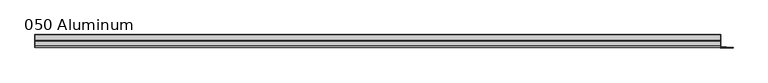
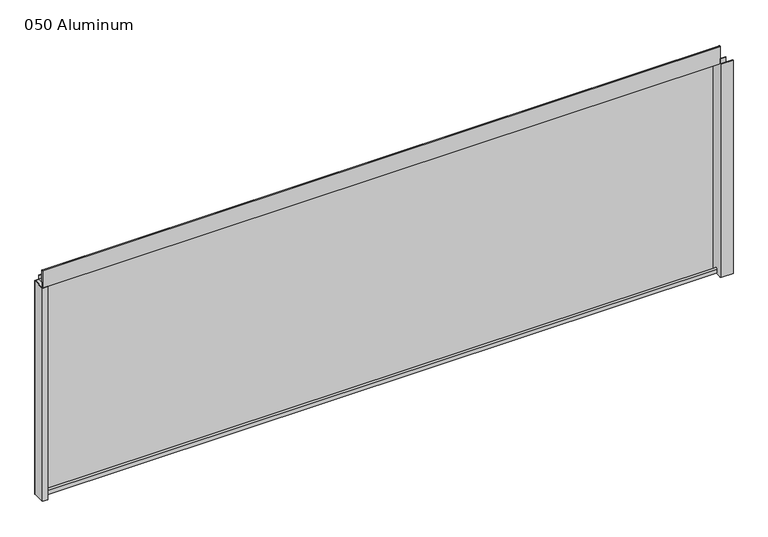
"""IFC4 building model written with IfcOpenShell, lengths in millimetres: plate geometry, 050 Aluminum."""

from ifc_helpers import new_model, si_unit, point, frame, frame_2d, origin, origin_with_axes, place, context, project, spatial, polyline, circle_curve, trimmed, segment, composite_curve, outline, extrude, source, transform, mapped, element, save


def plate_050_aluminum_96d8cad5(model_context):
    return source(origin(), model_context, "Body", "SweptSolid", [
        extrude(outline(polyline([(-919.4800001, 2.5660257), (-906.5894995, 2.5660257), (-906.5894995, 1.2699999), (-920.75, 1.2699999), (-920.75, 34.7980001), (-919.4800001, 34.7980001), (-919.4800001, 2.5660257)])), origin_with_axes(), (0.0, 0.0, 1.0), 608.33),
        extrude(outline(composite_curve([segment(trimmed(circle_curve(frame_2d((19.8514743, 13.124237)), 3.175), [point((16.6765477, 13.1458337))], [point((23.0264743, 13.124237))], False, "CARTESIAN"), True, "CONTINUOUS"), segment(polyline([(23.0264743, 13.124237), (23.0264743, 1.2693678), (34.7980002, 1.2693678), (34.7980002, 0.0), (21.7564743, 0.0), (21.7564743, 13.124237)]), True, "CONTINUOUS"), segment(trimmed(circle_curve(frame_2d((19.8514743, 13.124237)), 1.905), [point((21.7564743, 13.124237))], [point((17.9464915, 13.1323356))], True, "CARTESIAN"), True, "CONTINUOUS"), segment(polyline([(17.9464915, 13.1323356), (17.9464915, 2.786437), (16.6765477, 2.786437), (16.6765477, 13.1458337)]), True, "CONTINUOUS")], self_intersect=False)), frame((-919.4800001, 0.0, 0.0), z_axis=(1.0, 0.0, 0.0), x_axis=(0.0, 1.0, 0.0)), (0.0, 0.0, 1.0), 1826.2600002),
        extrude(outline(composite_curve([segment(trimmed(circle_curve(frame_2d((3.7084742, 656.7932001)), 1.6509999), [point((2.0574743, 656.7932001))], [point((5.3594742, 656.7932001))], False, "CARTESIAN"), True, "CONTINUOUS"), segment(polyline([(5.3594742, 656.7932001), (5.3594742, 623.57), (19.2164743, 623.57), (19.2164743, 633.6538), (20.4864742, 633.6538), (20.4864742, 622.3), (4.0894742, 622.3), (4.0894742, 656.7932001)]), True, "CONTINUOUS"), segment(trimmed(circle_curve(frame_2d((3.7084742, 656.7932001)), 0.3809999), [point((4.0894742, 656.7932001))], [point((3.3274743, 656.7932001))], True, "CARTESIAN"), True, "CONTINUOUS"), segment(polyline([(3.3274743, 656.7932001), (3.3274743, 609.6000001), (34.7980002, 609.6000001), (34.7980002, 608.33), (2.0574743, 608.33), (2.0574743, 656.7932001)]), True, "CONTINUOUS")], self_intersect=False)), frame((-919.4800001, 0.0, 0.0), z_axis=(1.0, 0.0, 0.0), x_axis=(0.0, 1.0, 0.0)), (0.0, 0.0, 1.0), 1826.2600002),
        extrude(outline(polyline([(-920.7500001, 36.068), (908.0500001, 36.068), (908.0500001, 34.7980001), (-920.7500001, 34.7980001), (-920.7500001, 36.068)])), origin_with_axes(), (0.0, 0.0, 1.0), 609.6),
        extrude(outline(polyline([(908.0500001, 1.2699999), (940.5620857, 1.2699999), (940.5620857, 0.0), (906.7800002, 0.0), (906.7800002, 34.7980002), (908.0500001, 34.7980002), (908.0500001, 1.2699999)])), origin_with_axes(), (0.0, 0.0, 1.0), 608.33),
        extrude(outline(polyline([(906.7800001, 3.3274743), (922.528, 3.3274743), (922.528, 2.0574743), (906.7800001, 2.0574743), (906.7800001, 3.3274743)])), origin_with_axes(), (0.0, 0.0, 1.0), 622.3),
    ])


if __name__ == "__main__":
    model = new_model("IFC4")
    model_context = context("Model", 3, world=origin())
    ifc_project = project(units=[si_unit("LENGTHUNIT", "METRE", prefix="MILLI")], contexts=[model_context])
    site = spatial("IfcSite", under=ifc_project)
    building = spatial("IfcBuilding", under=site)
    placement = place(None, origin())
    plate_050_aluminum_shape = plate_050_aluminum_96d8cad5(model_context)
    element("IfcPlate", 1, ObjectType="050 Aluminum", at=placement, inside=building, context=model_context, shape_type="MappedRepresentation", body=[
        mapped(plate_050_aluminum_shape, transform((0.0, 0.0, 0.0), x_axis=(1.0, 0.0, 0.0), y_axis=(0.0, 1.0, 0.0), z_axis=(0.0, 0.0, 1.0))),
    ])
    save(model, "model.ifc")
